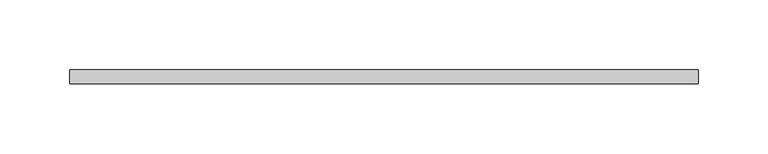
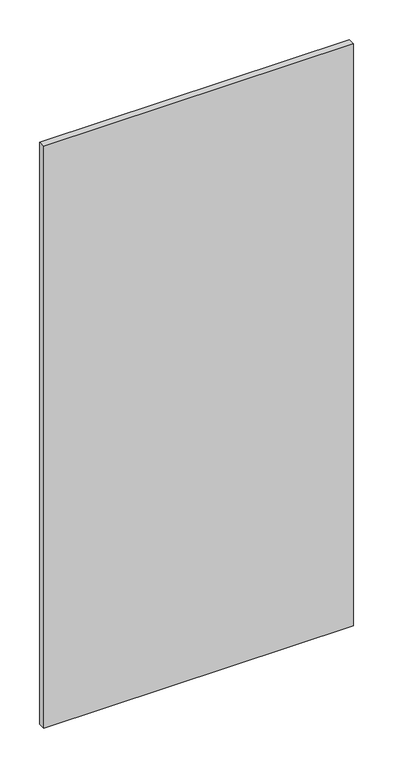
"""IFC4 building model written with IfcOpenShell, lengths in millimetres: plate geometry."""

from ifc_helpers import new_model, si_unit, origin, origin_with_axes, place, context, project, spatial, polyline, outline, extrude, source, transform, mapped, element, save


def plate_46ceffe4(model_context):
    return source(origin(), model_context, "Body", "SweptSolid", [
        extrude(outline(polyline([(225.5659815, -5.0), (-225.5659815, -5.0), (-225.5659815, 5.0), (225.5659815, 5.0), (225.5659815, -5.0)])), origin_with_axes(), (0.0, 0.0, 1.0), 895.0),
    ])


if __name__ == "__main__":
    model = new_model("IFC4")
    model_context = context("Model", 3, world=origin())
    ifc_project = project(units=[si_unit("LENGTHUNIT", "METRE", prefix="MILLI")], contexts=[model_context])
    site = spatial("IfcSite", under=ifc_project)
    building = spatial("IfcBuilding", under=site)
    placement = place(None, origin())
    plate_shape = plate_46ceffe4(model_context)
    element("IfcPlate", 1, at=placement, inside=building, context=model_context, shape_type="MappedRepresentation", body=[
        mapped(plate_shape, transform((0.0, 0.0, 0.0), x_axis=(1.0, 0.0, 0.0), y_axis=(0.0, 1.0, 0.0), z_axis=(0.0, 0.0, 1.0))),
    ])
    save(model, "model.ifc")
